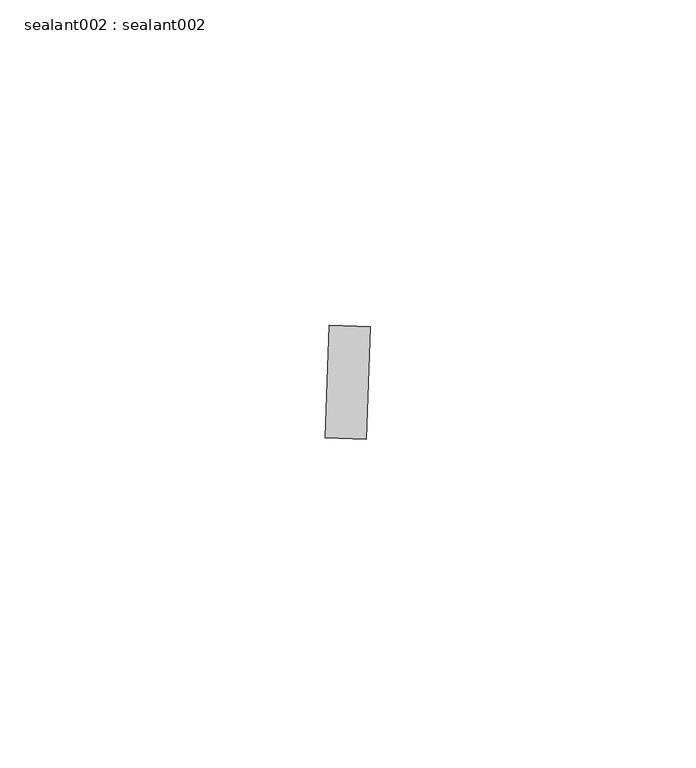
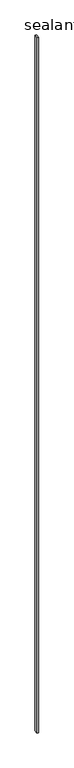
"""IFC4 building model written with IfcOpenShell, lengths in millimetres: proxy geometry, sealant002 : sealant002."""

from ifc_helpers import new_model, si_unit, frame, origin, place, context, project, spatial, polyline, outline, extrude, source, transform, mapped, element, save


def sealant002_sealant002_d5ec5f07(model_context):
    return source(origin(), model_context, "Body", "SweptSolid", [
        extrude(outline(polyline([(17454.6349554, -14645.1712821), (17455.2437815, -14627.8475576), (17461.5797734, -14628.0702302), (17460.9709472, -14645.3939547), (17454.6349554, -14645.1712821)])), frame((0.0, 0.0, 73.975708), z_axis=(0.0, 0.0, 1.0), x_axis=(1.0, 0.0, 0.0)), (0.0, 0.0, 1.0), 2959.11),
    ])


if __name__ == "__main__":
    model = new_model("IFC4")
    model_context = context("Model", 3, world=origin())
    ifc_project = project(units=[si_unit("LENGTHUNIT", "METRE", prefix="MILLI")], contexts=[model_context])
    site = spatial("IfcSite", under=ifc_project)
    building = spatial("IfcBuilding", under=site)
    placement = place(None, origin())
    sealant002_sealant002_shape = sealant002_sealant002_d5ec5f07(model_context)
    element("IfcBuildingElementProxy", 1, Name="sealant002 : sealant002", ObjectType="sealant002 : sealant002", at=placement, inside=building, context=model_context, shape_type="MappedRepresentation", body=[
        mapped(sealant002_sealant002_shape, transform((0.0, 0.0, 0.0), x_axis=(1.0, 0.0, 0.0), y_axis=(0.0, 1.0, 0.0), z_axis=(0.0, 0.0, 1.0))),
    ])
    save(model, "model.ifc")
